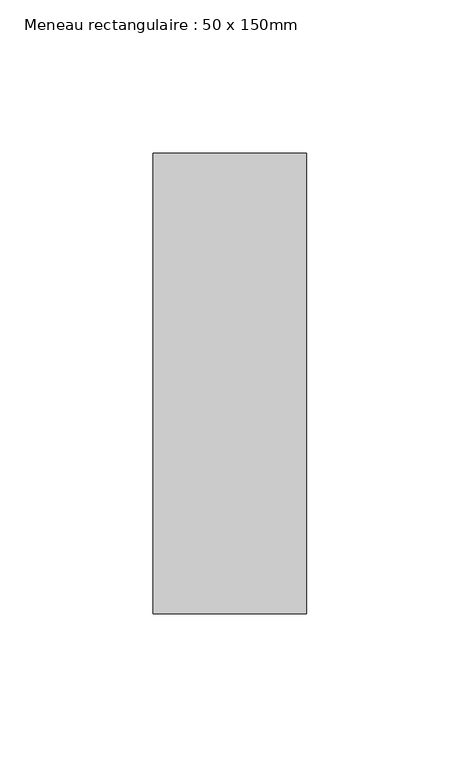
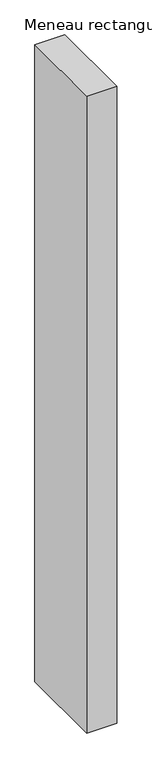
"""IFC4 building model written with IfcOpenShell, lengths in millimetres: member geometry, Meneau rectangulaire : 50 x 150mm."""

from ifc_helpers import new_model, si_unit, frame, origin, place, context, project, spatial, polyline, outline, extrude, source, transform, mapped, element, save


def meneau_rectangulaire_50_x_150mm_536ee16b(model_context):
    return source(origin(), model_context, "Body", "SweptSolid", [
        extrude(outline(polyline([(0.0, 75.0), (0.0, -75.0), (-50.0, -75.0), (-50.0, 75.0), (0.0, 75.0)])), frame((0.0, 0.0, -1125.0180004), z_axis=(0.0, 0.0, 1.0), x_axis=(1.0, 0.0, 0.0)), (0.0, 0.0, 1.0), 1125.0180004),
    ])


if __name__ == "__main__":
    model = new_model("IFC4")
    model_context = context("Model", 3, world=origin())
    ifc_project = project(units=[si_unit("LENGTHUNIT", "METRE", prefix="MILLI")], contexts=[model_context])
    site = spatial("IfcSite", under=ifc_project)
    building = spatial("IfcBuilding", under=site)
    placement = place(None, origin())
    meneau_rectangulaire_50_x_150mm_shape = meneau_rectangulaire_50_x_150mm_536ee16b(model_context)
    element("IfcMember", 1, ObjectType="Meneau rectangulaire : 50 x 150mm", at=placement, inside=building, context=model_context, shape_type="MappedRepresentation", body=[
        mapped(meneau_rectangulaire_50_x_150mm_shape, transform((0.0, 0.0, 0.0), x_axis=(1.0, 0.0, 0.0), y_axis=(0.0, 1.0, 0.0), z_axis=(0.0, 0.0, 1.0))),
    ])
    save(model, "model.ifc")
